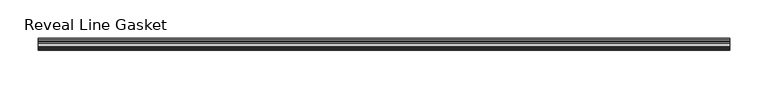
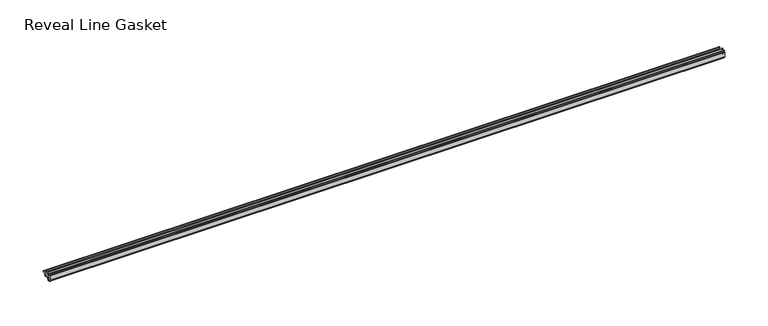
"""IFC4 building model written with IfcOpenShell, lengths in millimetres: furniture geometry, Reveal Line Gasket."""

from ifc_helpers import new_model, si_unit, point, frame, frame_2d, origin, place, context, project, spatial, polyline, circle_curve, trimmed, segment, composite_curve, outline, extrude, source, transform, mapped, element, save


def reveal_line_gasket_0fe01095(model_context):
    return source(origin(), model_context, "Body", "SweptSolid", [
        extrude(outline(composite_curve([segment(polyline([(-7.6326998, 1603.2), (-7.4091917, 1604.1554927), (-6.8813059, 1605.0884684)]), True, "CONTINUOUS"), segment(trimmed(circle_curve(frame_2d((-6.5243141, 1604.8864793)), 0.4101739), [point((-6.8813059, 1605.0884684))], [point((-6.1246704, 1604.7941347))], False, "CARTESIAN"), True, "CONTINUOUS"), segment(polyline([(-6.1246704, 1604.7941347), (-6.3626997, 1603.0979086), (-6.3626997, 1601.0654527)]), True, "CONTINUOUS"), segment(trimmed(circle_curve(frame_2d((-5.6959605, 1601.4819258)), 0.786124), [point((-6.3626997, 1601.0654527))], [point((-5.0926996, 1600.977875))], True, "CARTESIAN"), True, "CONTINUOUS"), segment(polyline([(-5.0926996, 1600.977875), (-0.7492996, 1600.977875), (-3.7293824, 1606.1395295)]), True, "CONTINUOUS"), segment(trimmed(circle_curve(frame_2d((-3.3132479, 1606.2049761)), 0.4212495), [point((-3.7293824, 1606.1395295))], [point((-3.0485022, 1606.5326358))], False, "CARTESIAN"), True, "CONTINUOUS"), segment(polyline([(-3.0485022, 1606.5326358), (0.5742594, 1600.977875), (4.8262978, 1600.977875), (3.1660374, 1603.8535297)]), True, "CONTINUOUS"), segment(trimmed(circle_curve(frame_2d((3.5978728, 1603.9118855)), 0.4357605), [point((3.1660374, 1603.8535297))], [point((3.864328, 1604.2566881))], False, "CARTESIAN"), True, "CONTINUOUS"), segment(polyline([(3.864328, 1604.2566881), (6.1944059, 1600.977875), (7.6326998, 1600.977875), (7.6326998, 1599.422125), (6.1944059, 1599.422125), (3.864328, 1596.1433119)]), True, "CONTINUOUS"), segment(trimmed(circle_curve(frame_2d((3.5978728, 1596.4881145)), 0.4357605), [point((3.864328, 1596.1433119))], [point((3.1660374, 1596.5464703))], False, "CARTESIAN"), True, "CONTINUOUS"), segment(polyline([(3.1660374, 1596.5464703), (4.8262978, 1599.422125), (0.5742594, 1599.422125), (-3.0485022, 1593.8673642)]), True, "CONTINUOUS"), segment(trimmed(circle_curve(frame_2d((-3.3132479, 1594.1950239)), 0.4212495), [point((-3.0485022, 1593.8673642))], [point((-3.7293824, 1594.2604705))], False, "CARTESIAN"), True, "CONTINUOUS"), segment(polyline([(-3.7293824, 1594.2604705), (-0.7492996, 1599.422125), (-5.0926996, 1599.422125)]), True, "CONTINUOUS"), segment(trimmed(circle_curve(frame_2d((-5.6959605, 1598.9180742)), 0.786124), [point((-5.0926996, 1599.422125))], [point((-6.3626997, 1599.3345473))], True, "CARTESIAN"), True, "CONTINUOUS"), segment(polyline([(-6.3626997, 1599.3345473), (-6.3626997, 1597.3020914), (-6.1246704, 1595.6058653)]), True, "CONTINUOUS"), segment(trimmed(circle_curve(frame_2d((-6.5243141, 1595.5135207)), 0.4101739), [point((-6.1246704, 1595.6058653))], [point((-6.8813059, 1595.3115316))], False, "CARTESIAN"), True, "CONTINUOUS"), segment(polyline([(-6.8813059, 1595.3115316), (-7.4091917, 1596.2445073), (-7.6326998, 1597.2), (-7.6326998, 1603.2)]), True, "CONTINUOUS")], self_intersect=False)), frame((-448.9044872, 0.0, 0.0), z_axis=(1.0, 0.0, 0.0), x_axis=(0.0, 1.0, 0.0)), (0.0, 0.0, 1.0), 897.8089744),
    ])


if __name__ == "__main__":
    model = new_model("IFC4")
    model_context = context("Model", 3, world=origin())
    ifc_project = project(units=[si_unit("LENGTHUNIT", "METRE", prefix="MILLI")], contexts=[model_context])
    site = spatial("IfcSite", under=ifc_project)
    building = spatial("IfcBuilding", under=site)
    placement = place(None, origin())
    reveal_line_gasket_shape = reveal_line_gasket_0fe01095(model_context)
    element("IfcFurniture", 1, ObjectType="Reveal Line Gasket", at=placement, inside=building, context=model_context, shape_type="MappedRepresentation", body=[
        mapped(reveal_line_gasket_shape, transform((0.0, 0.0, 0.0), x_axis=(1.0, 0.0, 0.0), y_axis=(0.0, 1.0, 0.0), z_axis=(0.0, 0.0, 1.0))),
    ])
    save(model, "model.ifc")
